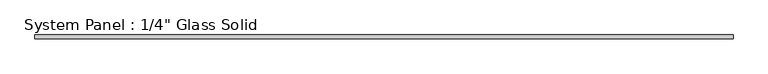
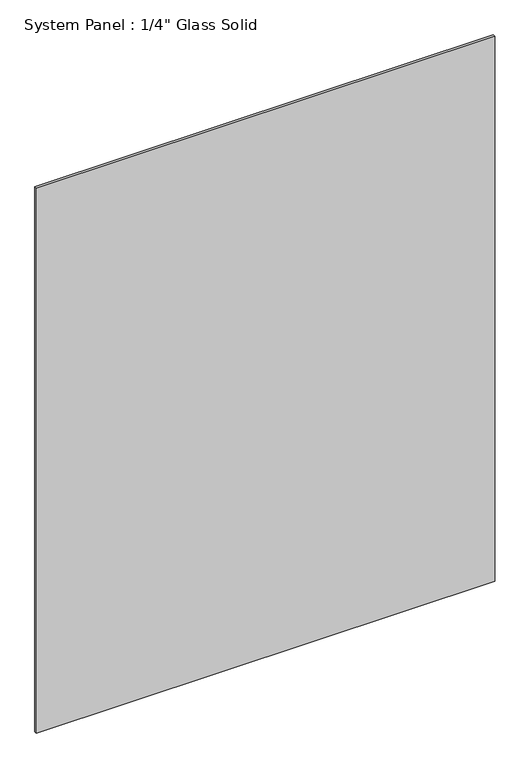
"""IFC4 building model written with IfcOpenShell, lengths in millimetres: plate geometry."""

from ifc_helpers import new_model, si_unit, origin, origin_with_axes, place, context, project, spatial, polyline, outline, extrude, source, transform, mapped, element, save


def plate_4e5dda14(model_context):
    return source(origin(), model_context, "Body", "SweptSolid", [
        extrude(outline(polyline([(562.5555865, -3.175), (-562.5555865, -3.175), (-562.5555865, 3.175), (562.5555865, 3.175), (562.5555865, -3.175)])), origin_with_axes(), (0.0, 0.0, 1.0), 1413.6241382),
    ])


if __name__ == "__main__":
    model = new_model("IFC4")
    model_context = context("Model", 3, world=origin())
    ifc_project = project(units=[si_unit("LENGTHUNIT", "METRE", prefix="MILLI")], contexts=[model_context])
    site = spatial("IfcSite", under=ifc_project)
    building = spatial("IfcBuilding", under=site)
    placement = place(None, origin())
    plate_shape = plate_4e5dda14(model_context)
    element("IfcPlate", 1, ObjectType="System Panel : 1/4\" Glass Solid", at=placement, inside=building, context=model_context, shape_type="MappedRepresentation", body=[
        mapped(plate_shape, transform((0.0, 0.0, 0.0), x_axis=(1.0, 0.0, 0.0), y_axis=(0.0, 1.0, 0.0), z_axis=(0.0, 0.0, 1.0))),
    ])
    save(model, "model.ifc")
